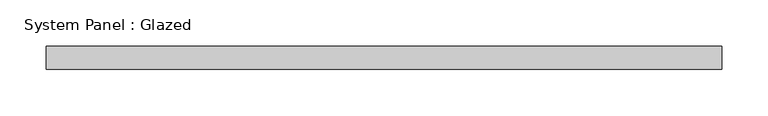
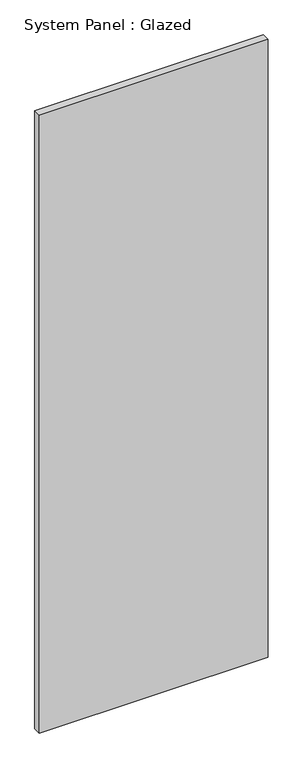
"""IFC4 building model written with IfcOpenShell, lengths in millimetres: plate geometry, System Panel : Glazed."""

from ifc_helpers import new_model, si_unit, origin, origin_with_axes, place, context, project, spatial, polyline, outline, extrude, source, transform, mapped, element, save


def system_panel_glazed_194a2287(model_context):
    return source(origin(), model_context, "Body", "SweptSolid", [
        extrude(outline(polyline([(366.7125, 19.05), (-366.7125, 19.05), (-366.7125, 44.45), (366.7125, 44.45), (366.7125, 19.05)])), origin_with_axes(), (0.0, 0.0, 1.0), 2095.5),
    ])


if __name__ == "__main__":
    model = new_model("IFC4")
    model_context = context("Model", 3, world=origin())
    ifc_project = project(units=[si_unit("LENGTHUNIT", "METRE", prefix="MILLI")], contexts=[model_context])
    site = spatial("IfcSite", under=ifc_project)
    building = spatial("IfcBuilding", under=site)
    placement = place(None, origin())
    system_panel_glazed_shape = system_panel_glazed_194a2287(model_context)
    element("IfcPlate", 1, ObjectType="System Panel : Glazed", at=placement, inside=building, context=model_context, shape_type="MappedRepresentation", body=[
        mapped(system_panel_glazed_shape, transform((0.0, 0.0, 0.0), x_axis=(1.0, 0.0, 0.0), y_axis=(0.0, 1.0, 0.0), z_axis=(0.0, 0.0, 1.0))),
    ])
    save(model, "model.ifc")
